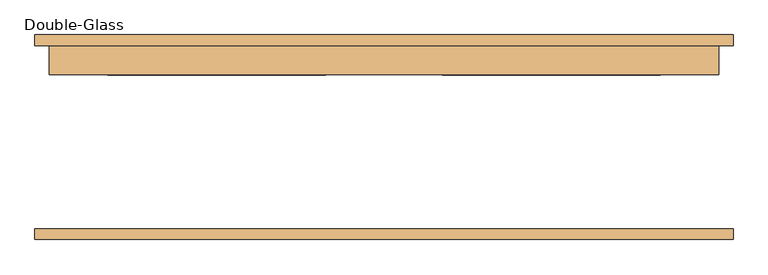
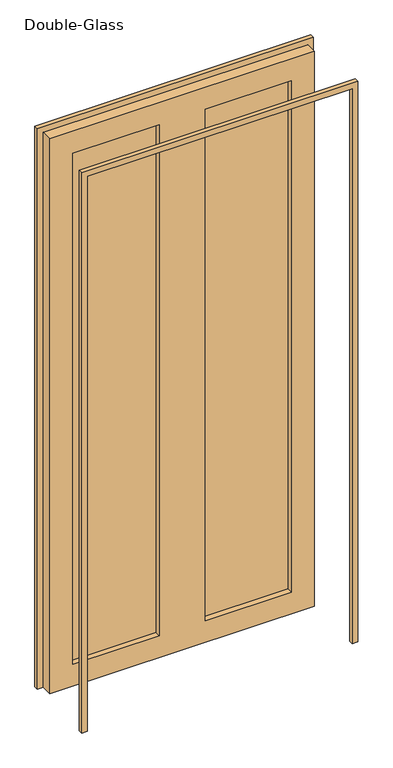
"""IFC4 building model written with IfcOpenShell, lengths in millimetres: door geometry, Double-Glass."""

from ifc_helpers import new_model, si_unit, frame, origin, place, context, project, spatial, polyline, outline, extrude, source, transform, mapped, element, save


def double_glass_f5087766(model_context):
    return source(origin(), model_context, "Body", "SweptSolid", [
        extrude(outline(polyline([(0.0, 609.6), (2616.2, 609.6), (2616.2, -609.6), (0.0, -609.6), (0.0, -584.2), (2590.8, -584.2), (2590.8, 584.2), (0.0, 584.2), (0.0, 609.6)])), frame((0.0, -176.66875, 0.0), z_axis=(0.0, 1.0, 0.0), x_axis=(0.0, 0.0, 1.0)), (0.0, 0.0, 1.0), 19.05),
        extrude(outline(polyline([(2590.8, 584.2), (0.0, 584.2), (0.0, 609.6), (2616.2, 609.6), (2616.2, -609.6), (0.0, -609.6), (0.0, -584.2), (2590.8, -584.2), (2590.8, 584.2)])), frame((0.0, 162.38125, 0.0), z_axis=(0.0, 1.0, 0.0), x_axis=(0.0, 0.0, 1.0)), (0.0, 0.0, 1.0), 19.05),
        extrude(outline(polyline([(482.6, 136.98125), (101.6, 136.98125), (101.6, 144.125), (482.6, 144.125), (482.6, 136.98125)])), frame((0.0, 0.0, 101.6), z_axis=(0.0, 0.0, 1.0), x_axis=(1.0, 0.0, 0.0)), (0.0, 0.0, 1.0), 2387.6),
        extrude(outline(polyline([(-101.6, 136.98125), (-482.6, 136.98125), (-482.6, 144.125), (-101.6, 144.125), (-101.6, 136.98125)])), frame((0.0, 0.0, 101.6), z_axis=(0.0, 0.0, 1.0), x_axis=(1.0, 0.0, 0.0)), (0.0, 0.0, 1.0), 2387.6),
        extrude(outline(polyline([(2590.8, 584.2), (2590.8, -584.2), (0.0, -584.2), (0.0, 584.2), (2590.8, 584.2)]), holes=[polyline([(2489.2, -101.6), (101.6, -101.6), (101.6, -482.6), (2489.2, -482.6), (2489.2, -101.6)]), polyline([(2489.2, 482.6), (101.6, 482.6), (101.6, 101.6), (2489.2, 101.6), (2489.2, 482.6)])]), frame((0.0, 111.58125, 0.0), z_axis=(0.0, 1.0, 0.0), x_axis=(0.0, 0.0, 1.0)), (0.0, 0.0, 1.0), 50.8),
    ])


if __name__ == "__main__":
    model = new_model("IFC4")
    model_context = context("Model", 3, world=origin())
    ifc_project = project(units=[si_unit("LENGTHUNIT", "METRE", prefix="MILLI")], contexts=[model_context])
    site = spatial("IfcSite", under=ifc_project)
    building = spatial("IfcBuilding", under=site)
    placement = place(None, origin())
    double_glass_shape = double_glass_f5087766(model_context)
    element("IfcDoor", 1, ObjectType="Double-Glass", at=placement, inside=building, context=model_context, shape_type="MappedRepresentation", body=[
        mapped(double_glass_shape, transform((0.0, 0.0, 0.0), x_axis=(1.0, 0.0, 0.0), y_axis=(0.0, 1.0, 0.0), z_axis=(0.0, 0.0, 1.0))),
    ])
    save(model, "model.ifc")
